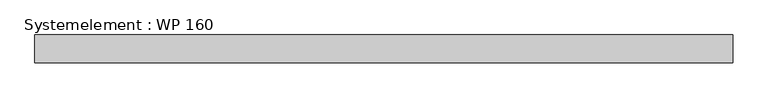
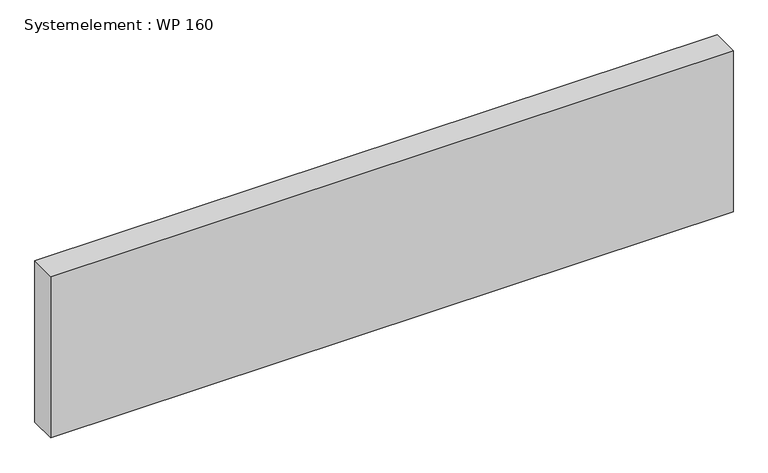
"""IFC4 building model written with IfcOpenShell, lengths in millimetres: plate geometry, Systemelement : WP 160."""

from ifc_helpers import new_model, si_unit, origin, origin_with_axes, place, context, project, spatial, polyline, outline, extrude, source, transform, mapped, element, save


def systemelement_wp_160_9e359e96(model_context):
    return source(origin(), model_context, "Body", "SweptSolid", [
        extrude(outline(polyline([(2000.0, -160.0), (-2000.0, -160.0), (-2000.0, 0.0), (2000.0, 0.0), (2000.0, -160.0)])), origin_with_axes(), (0.0, 0.0, 1.0), 1000.0),
    ])


if __name__ == "__main__":
    model = new_model("IFC4")
    model_context = context("Model", 3, world=origin())
    ifc_project = project(units=[si_unit("LENGTHUNIT", "METRE", prefix="MILLI")], contexts=[model_context])
    site = spatial("IfcSite", under=ifc_project)
    building = spatial("IfcBuilding", under=site)
    placement = place(None, origin())
    systemelement_wp_160_shape = systemelement_wp_160_9e359e96(model_context)
    element("IfcPlate", 1, ObjectType="Systemelement : WP 160", at=placement, inside=building, context=model_context, shape_type="MappedRepresentation", body=[
        mapped(systemelement_wp_160_shape, transform((0.0, 0.0, 0.0), x_axis=(1.0, 0.0, 0.0), y_axis=(0.0, 1.0, 0.0), z_axis=(0.0, 0.0, 1.0))),
    ])
    save(model, "model.ifc")
